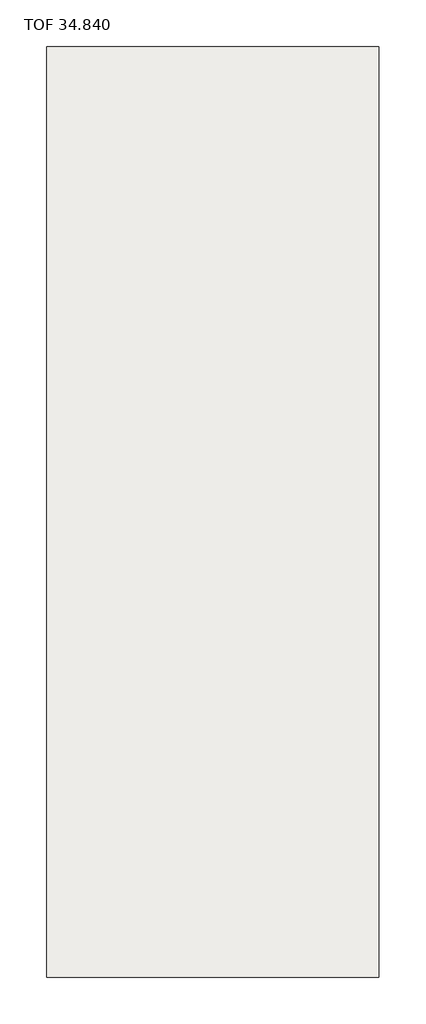
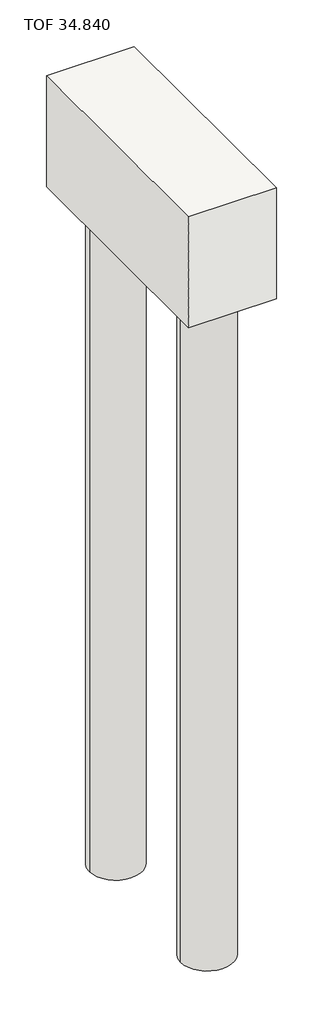
# One storey: 3 slabs.
"""IFC4 building model written with IfcOpenShell, lengths in millimetres."""

from ifc_helpers import new_model, si_unit, frame, origin, place, context, project, spatial, polyline, circle_curve, element, save
from ifc_brep_helpers import plane_surface, cylinder_surface, revolved_surface, advanced_brep

model = new_model("IFC4")

# Units and contexts
model_context = context("Model", 3, world=origin())
ifc_project = project(units=[si_unit("LENGTHUNIT", "METRE", prefix="MILLI")], contexts=[model_context])

# Site, building, storey
site = spatial("IfcSite", under=ifc_project)
building = spatial("IfcBuilding", under=site)
storey = spatial("IfcBuildingStorey", under=building, Name="TOF 34.840", Elevation=34840.0)

# Slabs
placement = place(None, origin())
element("IfcSlab", 1, ObjectType="Pile Cap-2 Round Pile : 2100x750x1000mm DEEP PILE CAP", at=placement, inside=storey, context=model_context, shape_type="AdvancedBrep", body=[
    advanced_brep(
    [(-265387.95, 453688.5444815, 35065.0), (-264637.95, 453688.5444815, 35065.0), (-264637.95, 455788.5444815, 35065.0), (-265387.95, 455788.5444815, 35065.0), (-265387.95, 453688.5444815, 34065.0), (-265387.95, 455788.5444815, 34065.0), (-264637.95, 455788.5444815, 34065.0), (-264637.95, 453688.5444815, 34065.0), (-264787.95, 454063.5444815, 34065.0), (-265237.95, 454063.5444815, 34065.0), (-264787.95, 455413.5444815, 34065.0), (-265237.95, 455413.5444815, 34065.0), (-264787.95, 454063.5444815, 34140.0), (-265237.95, 454063.5444815, 34140.0), (-264787.95, 455413.5444815, 34140.0), (-265237.95, 455413.5444815, 34140.0)],
    [
        (0, 1),
        (1, 2),
        (2, 3),
        (3, 0),
        (4, 5),
        (5, 6),
        (6, 7),
        (7, 4),
        (8, 9, circle_curve(frame((-265012.95, 454063.5444815, 34065.0), z_axis=(0.0, 0.0, 1.0), x_axis=(-1.0000000000000002, 0.0, 0.0)), 225.0)),
        (9, 8, circle_curve(frame((-265012.95, 454063.5444815, 34065.0), z_axis=(0.0, 0.0, 1.0), x_axis=(-1.0000000000000002, 0.0, 0.0)), 225.0)),
        (10, 11, circle_curve(frame((-265012.95, 455413.5444815, 34065.0), z_axis=(0.0, 0.0, 1.0), x_axis=(-1.0000000000000002, 0.0, 0.0)), 225.0)),
        (11, 10, circle_curve(frame((-265012.95, 455413.5444815, 34065.0), z_axis=(0.0, 0.0, 1.0), x_axis=(-1.0000000000000002, 0.0, 0.0)), 225.0)),
        (0, 4),
        (7, 1),
        (6, 2),
        (5, 3),
        (12, 13, circle_curve(frame((-265012.95, 454063.5444815, 34140.0), z_axis=(0.0, 0.0, -1.0), x_axis=(-1.0000000000000002, 0.0, 0.0)), 225.0)),
        (13, 12, circle_curve(frame((-265012.95, 454063.5444815, 34140.0), z_axis=(0.0, 0.0, -1.0), x_axis=(-1.0000000000000002, 0.0, 0.0)), 225.0)),
        (14, 15, circle_curve(frame((-265012.95, 455413.5444815, 34140.0), z_axis=(0.0, 0.0, -1.0), x_axis=(-1.0000000000000002, 0.0, 0.0)), 225.0)),
        (15, 14, circle_curve(frame((-265012.95, 455413.5444815, 34140.0), z_axis=(0.0, 0.0, -1.0), x_axis=(-1.0000000000000002, 0.0, 0.0)), 225.0)),
        (13, 9),
        (8, 12),
        (15, 11),
        (10, 14),
    ],
    [
        plane_surface(frame((-264637.95, 453688.5444815, 35065.0), z_axis=(0.0, 0.0, 1.0), x_axis=(1.0, 0.0, 0.0))),
        plane_surface(frame((-264637.95, 453688.5444815, 34065.0), z_axis=(0.0, 0.0, -1.0), x_axis=(-1.0, 0.0, 0.0))),
        plane_surface(frame((-265387.95, 453688.5444815, 35065.0), z_axis=(0.0, -1.0, 0.0), x_axis=(0.0, 0.0, -1.0))),
        plane_surface(frame((-264637.95, 453688.5444815, 35065.0), z_axis=(1.0, 0.0, 0.0), x_axis=(0.0, 0.0, -1.0))),
        plane_surface(frame((-264637.95, 455788.5444815, 35065.0), z_axis=(0.0, 1.0, 0.0), x_axis=(0.0, 0.0, -1.0))),
        plane_surface(frame((-265387.95, 455788.5444815, 35065.0), z_axis=(-1.0, 0.0, 0.0), x_axis=(0.0, 0.0, -1.0))),
        plane_surface(frame((-265237.95, 454063.5444815, 34140.0), z_axis=(0.0, 0.0, -1.0), x_axis=(0.0, -1.0, 0.0))),
        revolved_surface(polyline([(-265237.95, 454063.5444815, 34140.0), (-265237.95, 454063.5444815, 34065.0)]), (-265012.95, 454063.5444815, 34065.0), (0.0, 0.0, 1.0)),
        revolved_surface(polyline([(-265237.95, 455413.5444815, 34140.0), (-265237.95, 455413.5444815, 34065.0)]), (-265012.95, 455413.5444815, 35065.0), (0.0, 0.0, 1.0)),
    ],
    [
        (0, [[1, 2, 3, 4]]),
        (1, [[5, 6, 7, 8], [9, 10], [11, 12]]),
        (2, [[-1, 13, -8, 14]]),
        (3, [[-2, -14, -7, 15]]),
        (4, [[-3, -15, -6, 16]]),
        (5, [[-4, -16, -5, -13]]),
        (6, [[17, 18]]),
        (6, [[19, 20]]),
        (7, [[-18, 21, -9, 22]]),
        (7, [[-17, -22, -10, -21]]),
        (8, [[-20, 23, -11, 24]]),
        (8, [[-19, -24, -12, -23]]),
    ],
),
])
element("IfcSlab", 2, ObjectType="Pile-Steel Pipe : 450mm Diameter", at=placement, inside=storey, context=model_context, shape_type="AdvancedBrep", body=[
    advanced_brep(
    [(-264787.95, 454063.5444815, 34140.0), (-265237.95, 454063.5444815, 34140.0), (-264787.95, 454063.5444815, 28065.0), (-265237.95, 454063.5444815, 28065.0), (-264787.95, 454063.5444815, 34065.0), (-265237.95, 454063.5444815, 34065.0)],
    [
        (0, 1, circle_curve(frame((-265012.95, 454063.5444815, 34140.0), z_axis=(0.0, 0.0, 1.0), x_axis=(-1.0000000000000002, 0.0, 0.0)), 225.0)),
        (1, 0, circle_curve(frame((-265012.95, 454063.5444815, 34140.0), z_axis=(0.0, 0.0, 1.0), x_axis=(-1.0000000000000002, 0.0, 0.0)), 225.0)),
        (2, 3, circle_curve(frame((-265012.95, 454063.5444815, 28065.0), z_axis=(0.0, 0.0, -1.0), x_axis=(-1.0000000000000002, 0.0, 0.0)), 225.0)),
        (3, 2, circle_curve(frame((-265012.95, 454063.5444815, 28065.0), z_axis=(0.0, 0.0, -1.0), x_axis=(-1.0000000000000002, 0.0, 0.0)), 225.0)),
        (0, 4),
        (4, 2),
        (3, 5),
        (5, 1),
    ],
    [
        plane_surface(frame((-265237.95, 454063.5444815, 34140.0), z_axis=(0.0, 0.0, 1.0), x_axis=(0.0, -1.0, 0.0))),
        plane_surface(frame((-265237.95, 454063.5444815, 28065.0), z_axis=(0.0, 0.0, -1.0), x_axis=(0.0, 1.0, 0.0))),
        cylinder_surface(frame((-265012.95, 454063.5444815, 28065.0), z_axis=(0.0, 0.0, 1.0), x_axis=(-1.0000000000000002, 0.0, 0.0)), 225.0),
    ],
    [
        (0, [[1, 2]]),
        (1, [[3, 4]]),
        (2, [[-1, 5, 6, -4, 7, 8]]),
        (2, [[-2, -8, -7, -3, -6, -5]]),
    ],
),
])
element("IfcSlab", 3, ObjectType="Pile-Steel Pipe : 450mm Diameter", at=placement, inside=storey, context=model_context, shape_type="AdvancedBrep", body=[
    advanced_brep(
    [(-264787.95, 455413.5444815, 34140.0), (-265237.95, 455413.5444815, 34140.0), (-264787.95, 455413.5444815, 28065.0), (-265237.95, 455413.5444815, 28065.0), (-264787.95, 455413.5444815, 34065.0), (-265237.95, 455413.5444815, 34065.0)],
    [
        (0, 1, circle_curve(frame((-265012.95, 455413.5444815, 34140.0), z_axis=(0.0, 0.0, 1.0), x_axis=(-1.0000000000000002, 0.0, 0.0)), 225.0)),
        (1, 0, circle_curve(frame((-265012.95, 455413.5444815, 34140.0), z_axis=(0.0, 0.0, 1.0), x_axis=(-1.0000000000000002, 0.0, 0.0)), 225.0)),
        (2, 3, circle_curve(frame((-265012.95, 455413.5444815, 28065.0), z_axis=(0.0, 0.0, -1.0), x_axis=(-1.0000000000000002, 0.0, 0.0)), 225.0)),
        (3, 2, circle_curve(frame((-265012.95, 455413.5444815, 28065.0), z_axis=(0.0, 0.0, -1.0), x_axis=(-1.0000000000000002, 0.0, 0.0)), 225.0)),
        (0, 4),
        (4, 2),
        (3, 5),
        (5, 1),
    ],
    [
        plane_surface(frame((-265237.95, 455413.5444815, 34140.0), z_axis=(0.0, 0.0, 1.0), x_axis=(0.0, -1.0, 0.0))),
        plane_surface(frame((-265237.95, 455413.5444815, 28065.0), z_axis=(0.0, 0.0, -1.0), x_axis=(0.0, 1.0, 0.0))),
        cylinder_surface(frame((-265012.95, 455413.5444815, 28065.0), z_axis=(0.0, 0.0, 1.0), x_axis=(-1.0000000000000002, 0.0, 0.0)), 225.0),
    ],
    [
        (0, [[1, 2]]),
        (1, [[3, 4]]),
        (2, [[-1, 5, 6, -4, 7, 8]]),
        (2, [[-2, -8, -7, -3, -6, -5]]),
    ],
),
])

save(model, "model.ifc")
